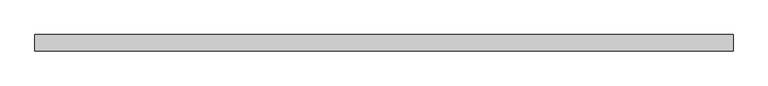
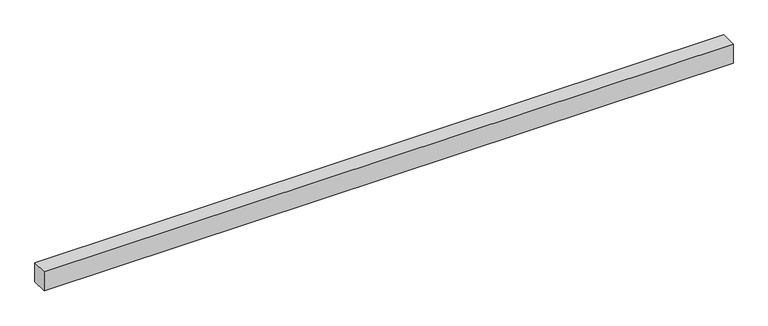
"""IFC4 building model written with IfcOpenShell, lengths in millimetres: proxy geometry."""

from ifc_helpers import new_model, si_unit, frame, origin, place, context, project, spatial, polyline, outline, extrude, source, transform, mapped, element, save


def generic_models_67f8e7fa(model_context):
    return source(origin(), model_context, "Body", "SweptSolid", [
        extrude(outline(polyline([(40.0, 0.0), (-40.0, 0.0), (-40.0, 3400.0), (40.0, 3400.0), (40.0, 0.0)])), frame((3400.0, 0.0, 0.0), z_axis=(0.0, -1.9783474858313244e-12, 1.0), x_axis=(0.0, 1.0, 1.9783474858313244e-12)), (0.0, 0.0, 1.0), 100.0),
    ])


if __name__ == "__main__":
    model = new_model("IFC4")
    model_context = context("Model", 3, world=origin())
    ifc_project = project(units=[si_unit("LENGTHUNIT", "METRE", prefix="MILLI")], contexts=[model_context])
    site = spatial("IfcSite", under=ifc_project)
    building = spatial("IfcBuilding", under=site)
    placement = place(None, origin())
    generic_models_shape = generic_models_67f8e7fa(model_context)
    element("IfcBuildingElementProxy", 1, Name="Generic Models", at=placement, inside=building, context=model_context, shape_type="MappedRepresentation", body=[
        mapped(generic_models_shape, transform((0.0, 0.0, 0.0), x_axis=(1.0, 0.0, 0.0), y_axis=(0.0, 1.0, 0.0), z_axis=(0.0, 0.0, 1.0))),
    ])
    save(model, "model.ifc")
